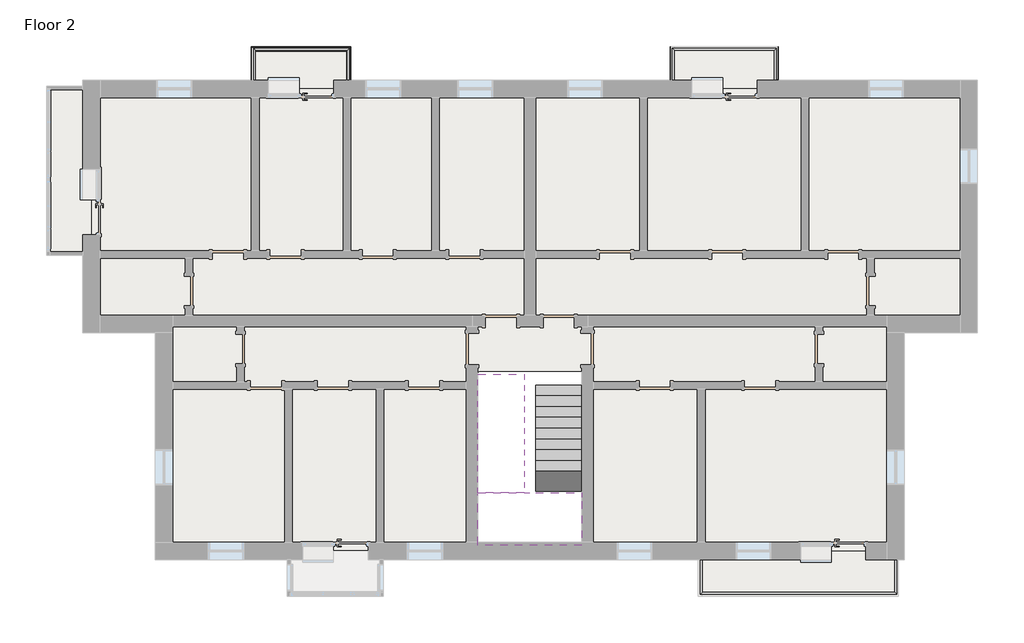
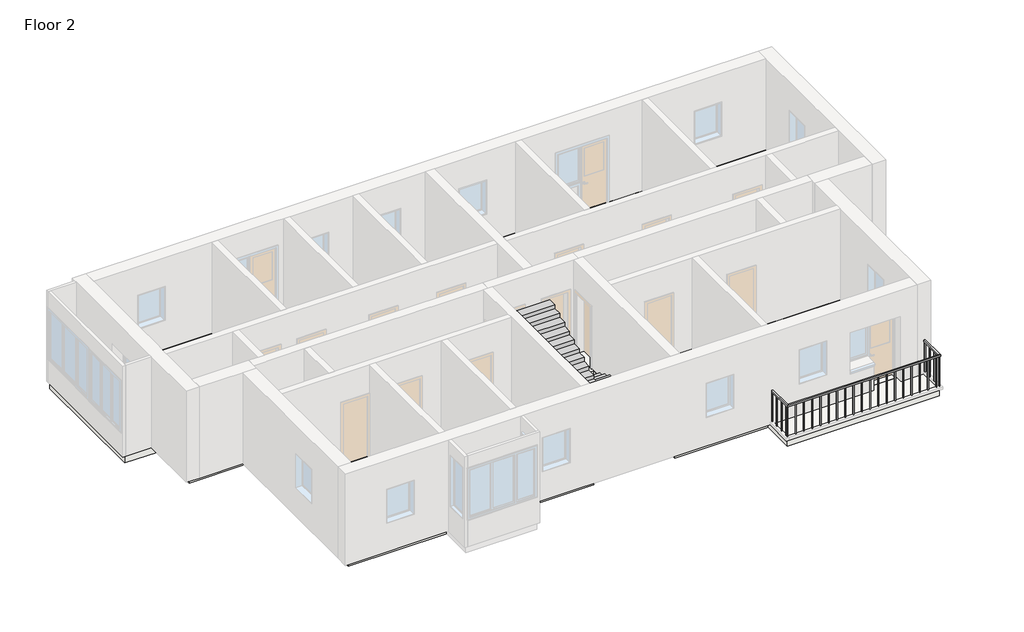
# One storey, part 3 of 3: 6 slabs, 3 railings, 2 stair flights.
"""IFC4 building model written with IfcOpenShell, lengths in millimetres."""

import ifcopenshell
import ifcopenshell.guid

model = None  # the IFC model being written
_history = None  # IfcOwnerHistory: only IFC2X3 demands one
_inside = {}  # id of a spatial element -> (the spatial element, [elements in it])
_under = {}  # id of a project, library or spatial element -> (it, [spatial elements below it])
_declared = {}  # id of a project -> (the project, [libraries it declares])
_typed = {}  # id of a type object -> (the type object, [elements of that type])
_made_of = {}  # id of a material, layer set ... -> (it, [elements and type objects made of it])


def new_model(schema):
    """Start an empty IFC model of exactly this schema.

    Asked for "IFC4X3", IfcOpenShell would pick the latest addendum, in which some entities
    have other attributes; the version numbers below select the first issue.
    IFC2X3 requires an IfcOwnerHistory on every rooted entity: one is made here for all.
    """
    global model, _history
    if schema == "IFC4X3":
        model = ifcopenshell.file(schema_version=(4, 3, 0, 0))
    else:
        model = ifcopenshell.file(schema=schema)
    _inside.clear()
    _under.clear()
    _declared.clear()
    _typed.clear()
    _made_of.clear()
    _history = None
    if model.schema == "IFC2X3":
        org = make("IfcOrganization", Name="unknown")
        user = make(
            "IfcPersonAndOrganization",
            ThePerson=make("IfcPerson", FamilyName="unknown"),
            TheOrganization=org,
        )
        app = make(
            "IfcApplication",
            ApplicationDeveloper=org,
            Version="unknown",
            ApplicationFullName="unknown",
            ApplicationIdentifier="unknown",
        )
        _history = make(
            "IfcOwnerHistory",
            OwningUser=user,
            OwningApplication=app,
            ChangeAction="ADDED",
            CreationDate=0,
        )
    return model


def make(cls, **values):
    """One entity of the class cls with the attributes given. An attribute that is None is left unset."""
    return model.create_entity(
        cls, **{name: value for name, value in values.items() if value is not None}
    )


def rooted(cls, **values):
    """An entity with a GlobalId (a new one), such as an element, a storey or a relation."""
    return make(cls, GlobalId=ifcopenshell.guid.new(), OwnerHistory=_history, **values)


def si_unit(unit_type, name, prefix=None):
    """IfcSIUnit, for example si_unit("LENGTHUNIT", "METRE", prefix="MILLI")."""
    return make("IfcSIUnit", UnitType=unit_type, Prefix=prefix, Name=name)


def assignment(units):
    """IfcUnitAssignment: the units of a project."""
    return None if units is None else make("IfcUnitAssignment", Units=units)


def point(xyz):
    """IfcCartesianPoint."""
    return None if xyz is None else make("IfcCartesianPoint", Coordinates=xyz)


def direction(xyz):
    """IfcDirection."""
    return None if xyz is None else make("IfcDirection", DirectionRatios=xyz)


def frame(location, z_axis=None, x_axis=None):
    """IfcAxis2Placement3D, a coordinate frame: its origin and axes. An axis left out is left unset."""
    return make(
        "IfcAxis2Placement3D",
        Location=point(location),
        Axis=direction(z_axis),
        RefDirection=direction(x_axis),
    )


def origin():
    """The frame at (0, 0, 0) with its axes left unset."""
    return frame((0.0, 0.0, 0.0))


def place(relative_to, where):
    """IfcLocalPlacement: puts the frame where relative to a parent placement (None: the world)."""
    return make(
        "IfcLocalPlacement", PlacementRelTo=relative_to, RelativePlacement=where
    )


def context(
    kind, dimensions, precision=None, world=None, true_north=None, identifier=None
):
    """IfcGeometricRepresentationContext, for example the 3D "Model" context."""
    return make(
        "IfcGeometricRepresentationContext",
        ContextIdentifier=identifier,
        ContextType=kind,
        CoordinateSpaceDimension=dimensions,
        Precision=precision,
        WorldCoordinateSystem=world,
        TrueNorth=true_north,
    )


def project(units=None, contexts=None):
    """IfcProject with its units and contexts."""
    return rooted(
        "IfcProject",
        Name="project",
        RepresentationContexts=contexts,
        UnitsInContext=assignment(units),
    )


def spatial(cls, under=None, at=None, **own):
    """A site, building, storey or space (cls), placed at a placement, below another one or the project."""
    s = rooted(cls, ObjectPlacement=at, **own)
    if under is not None:
        _under.setdefault(under.id(), (under, []))[1].append(s)
    return s


def polyline(points):
    """IfcPolyline through the points."""
    return make("IfcPolyline", Points=[point(p) for p in points])


def outline(outer, holes=None, kind="AREA"):
    """IfcArbitraryClosedProfileDef: a profile drawn as a closed curve; with holes, ...WithVoids."""
    if holes is None:
        return make("IfcArbitraryClosedProfileDef", ProfileType=kind, OuterCurve=outer)
    return make(
        "IfcArbitraryProfileDefWithVoids",
        ProfileType=kind,
        OuterCurve=outer,
        InnerCurves=holes,
    )


def extrude(swept, where, along, depth):
    """IfcExtrudedAreaSolid: the profile swept, set in the frame where, extruded along a direction by depth."""
    return make(
        "IfcExtrudedAreaSolid",
        SweptArea=swept,
        Position=where,
        ExtrudedDirection=direction(along),
        Depth=depth,
    )


def faces_of(points, faces, orient=None, outer=None):
    """IfcFace entities. A face is a list of loops; a loop is a list of indices into points, from 0.

    orient and outer hold one flag for each loop. By default every Orientation is true, the
    first loop of a face is its IfcFaceOuterBound and the others are IfcFaceBound.
    """
    made = []
    for i, loops in enumerate(faces):
        bounds = []
        for j, loop in enumerate(loops):
            is_outer = j == 0 if outer is None else outer[i][j]
            bounds.append(
                make(
                    "IfcFaceOuterBound" if is_outer else "IfcFaceBound",
                    Bound=make("IfcPolyLoop", Polygon=[points[k] for k in loop]),
                    Orientation=True if orient is None else orient[i][j],
                )
            )
        made.append(make("IfcFace", Bounds=bounds))
    return made


def faceted_brep(points, faces, orient=None, outer=None, voids=None):
    """IfcFacetedBrep: a solid bounded by flat faces; with voids (closed shells), ...WithVoids."""
    shared = [point(p) for p in points]
    hull = make("IfcClosedShell", CfsFaces=faces_of(shared, faces, orient, outer))
    if voids is None:
        return make("IfcFacetedBrep", Outer=hull)
    return make(
        "IfcFacetedBrepWithVoids",
        Outer=hull,
        Voids=[
            make(cls, CfsFaces=faces_of(shared, fs, o, b)) for cls, fs, o, b in voids
        ],
    )


def shape(context_of_items, identifier, shape_type, items):
    """IfcShapeRepresentation: the items that make up one representation, for example the "Body"."""
    return make(
        "IfcShapeRepresentation",
        ContextOfItems=context_of_items,
        RepresentationIdentifier=identifier,
        RepresentationType=shape_type,
        Items=items,
    )


def made_of(thing, what):
    """Note that an element or type object is made of a material, layer set ...; save() writes the relation."""
    if what is not None:
        _made_of.setdefault(what.id(), (what, []))[1].append(thing)
    return thing


def element(
    cls,
    number,
    at=None,
    inside=None,
    cuts=None,
    type_object=None,
    material=None,
    context=None,
    identifier="Body",
    shape_type=None,
    held_by="IfcProductDefinitionShape",
    body=None,
    shapes=None,
    **own,
):
    """One element of the class cls, such as IfcWall. Its Tag is "e" and its number.

    at: its placement. inside: the storey or other place that contains it. cuts: it is an
    opening in that element (IfcRelVoidsElement). A single representation is given by context,
    identifier, shape_type and body (its items); several are given by shapes. held_by: the class
    of the entity that holds the representations. save() writes the other relations.
    """
    e = rooted(cls, Tag="e%d" % number, ObjectPlacement=at, **own)
    if body is not None:
        shapes = [shape(context, identifier, shape_type, body)]
    if shapes is not None:
        e.Representation = make(held_by, Representations=shapes)
    if inside is not None:
        _inside.setdefault(inside.id(), (inside, []))[1].append(e)
    if cuts is not None:
        rooted(
            "IfcRelVoidsElement", RelatingBuildingElement=cuts, RelatedOpeningElement=e
        )
    if type_object is not None:
        _typed.setdefault(type_object.id(), (type_object, []))[1].append(e)
    return made_of(e, material)


def aggregate(whole, parts):
    """IfcRelAggregates: a whole, such as a stair, and the parts it consists of."""
    return rooted("IfcRelAggregates", RelatingObject=whole, RelatedObjects=parts)


def save(model, path):
    """Write the relations noted so far, then the file.

    IfcRelAggregates (storeys below a building ...), IfcRelContainedInSpatialStructure (elements
    in a storey), IfcRelDefinesByType, IfcRelAssociatesMaterial and IfcRelDeclares: one each for
    every whole, place, type object, material and project.
    """
    for whole, parts in _under.values():
        aggregate(whole, parts)
    for where, things in _inside.values():
        rooted(
            "IfcRelContainedInSpatialStructure",
            RelatedElements=things,
            RelatingStructure=where,
        )
    for kind, things in _typed.values():
        rooted("IfcRelDefinesByType", RelatedObjects=things, RelatingType=kind)
    for what, things in _made_of.values():
        rooted("IfcRelAssociatesMaterial", RelatedObjects=things, RelatingMaterial=what)
    for by, libraries in _declared.values():
        rooted("IfcRelDeclares", RelatingContext=by, RelatedDefinitions=libraries)
    model.write(path)


model = new_model("IFC4")

# Units and contexts
model_context = context("Model", 3, world=origin())
ifc_project = project(units=[si_unit("LENGTHUNIT", "METRE", prefix="MILLI")], contexts=[model_context])

# Site, building, storey
site = spatial("IfcSite", under=ifc_project)
building = spatial("IfcBuilding", under=site)
storey = spatial("IfcBuildingStorey", under=building, Name="Floor 2", Elevation=3200.0)

# Railings
placement = place(None, origin())
element("IfcRailing", 1, at=placement, inside=storey, context=model_context, shape_type="SolidModel", body=[
    faceted_brep([(-7305.7410247, -3724.7980841, 4400.0), (-7305.7410247, -3724.7980841, 4350.0), (-7255.7410247, -3724.7980841, 4350.0), (-7255.7410247, -3724.7980841, 4400.0), (-7305.7410247, -2824.8093829, 4400.0), (-7305.7410247, -2824.8093829, 4350.0), (-7255.7410247, -2874.8093829, 4350.0), (-7255.7410247, -2874.8093829, 4400.0), (-4825.7410247, -2824.8093829, 4400.0), (-4825.7410247, -2824.8093829, 4350.0), (-4875.7410247, -2874.8093829, 4350.0), (-4875.7410247, -2874.8093829, 4400.0), (-4825.7410247, -3724.7980841, 4400.0), (-4875.7410247, -3724.7980841, 4400.0), (-4875.7410247, -3724.7980841, 4350.0), (-4825.7410247, -3724.7980841, 4350.0)], [[[0, 1, 2, 3]], [[1, 0, 4, 5]], [[2, 1, 5, 6]], [[3, 2, 6, 7]], [[0, 3, 7, 4]], [[5, 4, 8, 9]], [[6, 5, 9, 10]], [[7, 6, 10, 11]], [[4, 7, 11, 8]], [[12, 13, 14, 15]], [[9, 8, 12, 15]], [[10, 9, 15, 14]], [[11, 10, 14, 13]], [[8, 11, 13, 12]]]),
    extrude(outline(polyline([(-4863.2410247, -3662.3093829), (-4838.2410247, -3662.3093829), (-4838.2410247, -3687.3093829), (-4863.2410247, -3687.3093829), (-4863.2410247, -3662.3093829)])), frame((0.0, 0.0, 3200.0), z_axis=(0.0, 0.0, 1.0), x_axis=(1.0, 0.0, 0.0)), (0.0, 0.0, 1.0), 1150.0),
    extrude(outline(polyline([(-4863.2410247, -3387.3093829), (-4838.2410247, -3387.3093829), (-4838.2410247, -3412.3093829), (-4863.2410247, -3412.3093829), (-4863.2410247, -3387.3093829)])), frame((0.0, 0.0, 3200.0), z_axis=(0.0, 0.0, 1.0), x_axis=(1.0, 0.0, 0.0)), (0.0, 0.0, 1.0), 1150.0),
    extrude(outline(polyline([(-4863.2410247, -3112.3093829), (-4838.2410247, -3112.3093829), (-4838.2410247, -3137.3093829), (-4863.2410247, -3137.3093829), (-4863.2410247, -3112.3093829)])), frame((0.0, 0.0, 3200.0), z_axis=(0.0, 0.0, 1.0), x_axis=(1.0, 0.0, 0.0)), (0.0, 0.0, 1.0), 1150.0),
    extrude(outline(polyline([(-5093.2410247, -2862.3093829), (-5093.2410247, -2837.3093829), (-5068.2410247, -2837.3093829), (-5068.2410247, -2862.3093829), (-5093.2410247, -2862.3093829)])), frame((0.0, 0.0, 3200.0), z_axis=(0.0, 0.0, 1.0), x_axis=(1.0, 0.0, 0.0)), (0.0, 0.0, 1.0), 1150.0),
    extrude(outline(polyline([(-5368.2410247, -2862.3093829), (-5368.2410247, -2837.3093829), (-5343.2410247, -2837.3093829), (-5343.2410247, -2862.3093829), (-5368.2410247, -2862.3093829)])), frame((0.0, 0.0, 3200.0), z_axis=(0.0, 0.0, 1.0), x_axis=(1.0, 0.0, 0.0)), (0.0, 0.0, 1.0), 1150.0),
    extrude(outline(polyline([(-5643.2410247, -2862.3093829), (-5643.2410247, -2837.3093829), (-5618.2410247, -2837.3093829), (-5618.2410247, -2862.3093829), (-5643.2410247, -2862.3093829)])), frame((0.0, 0.0, 3200.0), z_axis=(0.0, 0.0, 1.0), x_axis=(1.0, 0.0, 0.0)), (0.0, 0.0, 1.0), 1150.0),
    extrude(outline(polyline([(-5918.2410247, -2862.3093829), (-5918.2410247, -2837.3093829), (-5893.2410247, -2837.3093829), (-5893.2410247, -2862.3093829), (-5918.2410247, -2862.3093829)])), frame((0.0, 0.0, 3200.0), z_axis=(0.0, 0.0, 1.0), x_axis=(1.0, 0.0, 0.0)), (0.0, 0.0, 1.0), 1150.0),
    extrude(outline(polyline([(-6193.2410247, -2862.3093829), (-6193.2410247, -2837.3093829), (-6168.2410247, -2837.3093829), (-6168.2410247, -2862.3093829), (-6193.2410247, -2862.3093829)])), frame((0.0, 0.0, 3200.0), z_axis=(0.0, 0.0, 1.0), x_axis=(1.0, 0.0, 0.0)), (0.0, 0.0, 1.0), 1150.0),
    extrude(outline(polyline([(-6468.2410247, -2862.3093829), (-6468.2410247, -2837.3093829), (-6443.2410247, -2837.3093829), (-6443.2410247, -2862.3093829), (-6468.2410247, -2862.3093829)])), frame((0.0, 0.0, 3200.0), z_axis=(0.0, 0.0, 1.0), x_axis=(1.0, 0.0, 0.0)), (0.0, 0.0, 1.0), 1150.0),
    extrude(outline(polyline([(-6743.2410247, -2862.3093829), (-6743.2410247, -2837.3093829), (-6718.2410247, -2837.3093829), (-6718.2410247, -2862.3093829), (-6743.2410247, -2862.3093829)])), frame((0.0, 0.0, 3200.0), z_axis=(0.0, 0.0, 1.0), x_axis=(1.0, 0.0, 0.0)), (0.0, 0.0, 1.0), 1150.0),
    extrude(outline(polyline([(-7018.2410247, -2862.3093829), (-7018.2410247, -2837.3093829), (-6993.2410247, -2837.3093829), (-6993.2410247, -2862.3093829), (-7018.2410247, -2862.3093829)])), frame((0.0, 0.0, 3200.0), z_axis=(0.0, 0.0, 1.0), x_axis=(1.0, 0.0, 0.0)), (0.0, 0.0, 1.0), 1150.0),
    extrude(outline(polyline([(-7268.2410247, -2912.2980841), (-7293.2410247, -2912.2980841), (-7293.2410247, -2887.2980841), (-7268.2410247, -2887.2980841), (-7268.2410247, -2912.2980841)])), frame((0.0, 0.0, 3200.0), z_axis=(0.0, 0.0, 1.0), x_axis=(1.0, 0.0, 0.0)), (0.0, 0.0, 1.0), 1150.0),
    extrude(outline(polyline([(-7268.2410247, -3187.2980841), (-7293.2410247, -3187.2980841), (-7293.2410247, -3162.2980841), (-7268.2410247, -3162.2980841), (-7268.2410247, -3187.2980841)])), frame((0.0, 0.0, 3200.0), z_axis=(0.0, 0.0, 1.0), x_axis=(1.0, 0.0, 0.0)), (0.0, 0.0, 1.0), 1150.0),
    extrude(outline(polyline([(-7268.2410247, -3462.2980841), (-7293.2410247, -3462.2980841), (-7293.2410247, -3437.2980841), (-7268.2410247, -3437.2980841), (-7268.2410247, -3462.2980841)])), frame((0.0, 0.0, 3200.0), z_axis=(0.0, 0.0, 1.0), x_axis=(1.0, 0.0, 0.0)), (0.0, 0.0, 1.0), 1150.0),
    extrude(outline(polyline([(-4863.2410247, -2862.3093829), (-4863.2410247, -2837.3093829), (-4838.2410247, -2837.3093829), (-4838.2410247, -2862.3093829), (-4863.2410247, -2862.3093829)])), frame((0.0, 0.0, 3200.0), z_axis=(0.0, 0.0, 1.0), x_axis=(1.0, 0.0, 0.0)), (0.0, 0.0, 1.0), 1150.0),
    extrude(outline(polyline([(-7268.2410247, -2862.3093829), (-7293.2410247, -2862.3093829), (-7293.2410247, -2837.3093829), (-7268.2410247, -2837.3093829), (-7268.2410247, -2862.3093829)])), frame((0.0, 0.0, 3200.0), z_axis=(0.0, 0.0, 1.0), x_axis=(1.0, 0.0, 0.0)), (0.0, 0.0, 1.0), 1150.0),
    extrude(outline(polyline([(-4863.2410247, -3699.7980841), (-4838.2410247, -3699.7980841), (-4838.2410247, -3724.7980841), (-4863.2410247, -3724.7980841), (-4863.2410247, -3699.7980841)])), frame((0.0, 0.0, 3200.0), z_axis=(0.0, 0.0, 1.0), x_axis=(1.0, 0.0, 0.0)), (0.0, 0.0, 1.0), 1150.0),
    extrude(outline(polyline([(-7268.2410247, -3724.7980841), (-7293.2410247, -3724.7980841), (-7293.2410247, -3699.7980841), (-7268.2410247, -3699.7980841), (-7268.2410247, -3724.7980841)])), frame((0.0, 0.0, 3200.0), z_axis=(0.0, 0.0, 1.0), x_axis=(1.0, 0.0, 0.0)), (0.0, 0.0, 1.0), 1150.0),
])
element("IfcRailing", 2, at=placement, inside=storey, context=model_context, shape_type="SolidModel", body=[
    faceted_brep([(3569.2589753, -3724.7980841, 4400.0), (3569.2589753, -3724.7980841, 4350.0), (3619.2589753, -3724.7980841, 4350.0), (3619.2589753, -3724.7980841, 4400.0), (3569.2589753, -2824.8093829, 4400.0), (3569.2589753, -2824.8093829, 4350.0), (3619.2589753, -2874.8093829, 4350.0), (3619.2589753, -2874.8093829, 4400.0), (6269.2589753, -2824.8093829, 4400.0), (6269.2589753, -2824.8093829, 4350.0), (6219.2589753, -2874.8093829, 4350.0), (6219.2589753, -2874.8093829, 4400.0), (6269.2589753, -3724.7980841, 4400.0), (6219.2589753, -3724.7980841, 4400.0), (6219.2589753, -3724.7980841, 4350.0), (6269.2589753, -3724.7980841, 4350.0)], [[[0, 1, 2, 3]], [[1, 0, 4, 5]], [[2, 1, 5, 6]], [[3, 2, 6, 7]], [[0, 3, 7, 4]], [[5, 4, 8, 9]], [[6, 5, 9, 10]], [[7, 6, 10, 11]], [[4, 7, 11, 8]], [[12, 13, 14, 15]], [[9, 8, 12, 15]], [[10, 9, 15, 14]], [[11, 10, 14, 13]], [[8, 11, 13, 12]]]),
    extrude(outline(polyline([(6231.7589753, -3662.3093829), (6256.7589753, -3662.3093829), (6256.7589753, -3687.3093829), (6231.7589753, -3687.3093829), (6231.7589753, -3662.3093829)])), frame((0.0, 0.0, 3200.0), z_axis=(0.0, 0.0, 1.0), x_axis=(1.0, 0.0, 0.0)), (0.0, 0.0, 1.0), 1150.0),
    extrude(outline(polyline([(6231.7589753, -3387.3093829), (6256.7589753, -3387.3093829), (6256.7589753, -3412.3093829), (6231.7589753, -3412.3093829), (6231.7589753, -3387.3093829)])), frame((0.0, 0.0, 3200.0), z_axis=(0.0, 0.0, 1.0), x_axis=(1.0, 0.0, 0.0)), (0.0, 0.0, 1.0), 1150.0),
    extrude(outline(polyline([(6231.7589753, -3112.3093829), (6256.7589753, -3112.3093829), (6256.7589753, -3137.3093829), (6231.7589753, -3137.3093829), (6231.7589753, -3112.3093829)])), frame((0.0, 0.0, 3200.0), z_axis=(0.0, 0.0, 1.0), x_axis=(1.0, 0.0, 0.0)), (0.0, 0.0, 1.0), 1150.0),
    extrude(outline(polyline([(6056.7589753, -2862.3093829), (6056.7589753, -2837.3093829), (6081.7589753, -2837.3093829), (6081.7589753, -2862.3093829), (6056.7589753, -2862.3093829)])), frame((0.0, 0.0, 3200.0), z_axis=(0.0, 0.0, 1.0), x_axis=(1.0, 0.0, 0.0)), (0.0, 0.0, 1.0), 1150.0),
    extrude(outline(polyline([(5781.7589753, -2862.3093829), (5781.7589753, -2837.3093829), (5806.7589753, -2837.3093829), (5806.7589753, -2862.3093829), (5781.7589753, -2862.3093829)])), frame((0.0, 0.0, 3200.0), z_axis=(0.0, 0.0, 1.0), x_axis=(1.0, 0.0, 0.0)), (0.0, 0.0, 1.0), 1150.0),
    extrude(outline(polyline([(5506.7589753, -2862.3093829), (5506.7589753, -2837.3093829), (5531.7589753, -2837.3093829), (5531.7589753, -2862.3093829), (5506.7589753, -2862.3093829)])), frame((0.0, 0.0, 3200.0), z_axis=(0.0, 0.0, 1.0), x_axis=(1.0, 0.0, 0.0)), (0.0, 0.0, 1.0), 1150.0),
    extrude(outline(polyline([(5231.7589753, -2862.3093829), (5231.7589753, -2837.3093829), (5256.7589753, -2837.3093829), (5256.7589753, -2862.3093829), (5231.7589753, -2862.3093829)])), frame((0.0, 0.0, 3200.0), z_axis=(0.0, 0.0, 1.0), x_axis=(1.0, 0.0, 0.0)), (0.0, 0.0, 1.0), 1150.0),
    extrude(outline(polyline([(4956.7589753, -2862.3093829), (4956.7589753, -2837.3093829), (4981.7589753, -2837.3093829), (4981.7589753, -2862.3093829), (4956.7589753, -2862.3093829)])), frame((0.0, 0.0, 3200.0), z_axis=(0.0, 0.0, 1.0), x_axis=(1.0, 0.0, 0.0)), (0.0, 0.0, 1.0), 1150.0),
    extrude(outline(polyline([(4681.7589753, -2862.3093829), (4681.7589753, -2837.3093829), (4706.7589753, -2837.3093829), (4706.7589753, -2862.3093829), (4681.7589753, -2862.3093829)])), frame((0.0, 0.0, 3200.0), z_axis=(0.0, 0.0, 1.0), x_axis=(1.0, 0.0, 0.0)), (0.0, 0.0, 1.0), 1150.0),
    extrude(outline(polyline([(4406.7589753, -2862.3093829), (4406.7589753, -2837.3093829), (4431.7589753, -2837.3093829), (4431.7589753, -2862.3093829), (4406.7589753, -2862.3093829)])), frame((0.0, 0.0, 3200.0), z_axis=(0.0, 0.0, 1.0), x_axis=(1.0, 0.0, 0.0)), (0.0, 0.0, 1.0), 1150.0),
    extrude(outline(polyline([(4131.7589753, -2862.3093829), (4131.7589753, -2837.3093829), (4156.7589753, -2837.3093829), (4156.7589753, -2862.3093829), (4131.7589753, -2862.3093829)])), frame((0.0, 0.0, 3200.0), z_axis=(0.0, 0.0, 1.0), x_axis=(1.0, 0.0, 0.0)), (0.0, 0.0, 1.0), 1150.0),
    extrude(outline(polyline([(3856.7589753, -2862.3093829), (3856.7589753, -2837.3093829), (3881.7589753, -2837.3093829), (3881.7589753, -2862.3093829), (3856.7589753, -2862.3093829)])), frame((0.0, 0.0, 3200.0), z_axis=(0.0, 0.0, 1.0), x_axis=(1.0, 0.0, 0.0)), (0.0, 0.0, 1.0), 1150.0),
    extrude(outline(polyline([(3606.7589753, -2912.2980841), (3581.7589753, -2912.2980841), (3581.7589753, -2887.2980841), (3606.7589753, -2887.2980841), (3606.7589753, -2912.2980841)])), frame((0.0, 0.0, 3200.0), z_axis=(0.0, 0.0, 1.0), x_axis=(1.0, 0.0, 0.0)), (0.0, 0.0, 1.0), 1150.0),
    extrude(outline(polyline([(3606.7589753, -3187.2980841), (3581.7589753, -3187.2980841), (3581.7589753, -3162.2980841), (3606.7589753, -3162.2980841), (3606.7589753, -3187.2980841)])), frame((0.0, 0.0, 3200.0), z_axis=(0.0, 0.0, 1.0), x_axis=(1.0, 0.0, 0.0)), (0.0, 0.0, 1.0), 1150.0),
    extrude(outline(polyline([(3606.7589753, -3462.2980841), (3581.7589753, -3462.2980841), (3581.7589753, -3437.2980841), (3606.7589753, -3437.2980841), (3606.7589753, -3462.2980841)])), frame((0.0, 0.0, 3200.0), z_axis=(0.0, 0.0, 1.0), x_axis=(1.0, 0.0, 0.0)), (0.0, 0.0, 1.0), 1150.0),
    extrude(outline(polyline([(6231.7589753, -2862.3093829), (6231.7589753, -2837.3093829), (6256.7589753, -2837.3093829), (6256.7589753, -2862.3093829), (6231.7589753, -2862.3093829)])), frame((0.0, 0.0, 3200.0), z_axis=(0.0, 0.0, 1.0), x_axis=(1.0, 0.0, 0.0)), (0.0, 0.0, 1.0), 1150.0),
    extrude(outline(polyline([(3606.7589753, -2862.3093829), (3581.7589753, -2862.3093829), (3581.7589753, -2837.3093829), (3606.7589753, -2837.3093829), (3606.7589753, -2862.3093829)])), frame((0.0, 0.0, 3200.0), z_axis=(0.0, 0.0, 1.0), x_axis=(1.0, 0.0, 0.0)), (0.0, 0.0, 1.0), 1150.0),
    extrude(outline(polyline([(6231.7589753, -3699.7980841), (6256.7589753, -3699.7980841), (6256.7589753, -3724.7980841), (6231.7589753, -3724.7980841), (6231.7589753, -3699.7980841)])), frame((0.0, 0.0, 3200.0), z_axis=(0.0, 0.0, 1.0), x_axis=(1.0, 0.0, 0.0)), (0.0, 0.0, 1.0), 1150.0),
    extrude(outline(polyline([(3606.7589753, -3724.7980841), (3581.7589753, -3724.7980841), (3581.7589753, -3699.7980841), (3606.7589753, -3699.7980841), (3606.7589753, -3724.7980841)])), frame((0.0, 0.0, 3200.0), z_axis=(0.0, 0.0, 1.0), x_axis=(1.0, 0.0, 0.0)), (0.0, 0.0, 1.0), 1150.0),
])
element("IfcRailing", 3, at=placement, inside=storey, context=model_context, shape_type="SolidModel", body=[
    faceted_brep([(4344.2589753, -16099.7980841, 4400.0), (4344.2589753, -16099.7980841, 4350.0), (4294.2589753, -16099.7980841, 4350.0), (4294.2589753, -16099.7980841, 4400.0), (4344.2589753, -16949.7980841, 4400.0), (4344.2589753, -16949.7980841, 4350.0), (4294.2589753, -16999.7980841, 4350.0), (4294.2589753, -16999.7980841, 4400.0), (9344.2589753, -16949.7980841, 4400.0), (9344.2589753, -16949.7980841, 4350.0), (9394.2589753, -16999.7980841, 4350.0), (9394.2589753, -16999.7980841, 4400.0), (9344.2589753, -16099.7980841, 4400.0), (9394.2589753, -16099.7980841, 4400.0), (9394.2589753, -16099.7980841, 4350.0), (9344.2589753, -16099.7980841, 4350.0)], [[[0, 1, 2, 3]], [[1, 0, 4, 5]], [[2, 1, 5, 6]], [[3, 2, 6, 7]], [[0, 3, 7, 4]], [[5, 4, 8, 9]], [[6, 5, 9, 10]], [[7, 6, 10, 11]], [[4, 7, 11, 8]], [[12, 13, 14, 15]], [[9, 8, 12, 15]], [[10, 9, 15, 14]], [[11, 10, 14, 13]], [[8, 11, 13, 12]]]),
    extrude(outline(polyline([(9381.7589753, -16162.2980841), (9356.7589753, -16162.2980841), (9356.7589753, -16137.2980841), (9381.7589753, -16137.2980841), (9381.7589753, -16162.2980841)])), frame((0.0, 0.0, 3200.0), z_axis=(0.0, 0.0, 1.0), x_axis=(1.0, 0.0, 0.0)), (0.0, 0.0, 1.0), 1150.0),
    extrude(outline(polyline([(9381.7589753, -16437.2980841), (9356.7589753, -16437.2980841), (9356.7589753, -16412.2980841), (9381.7589753, -16412.2980841), (9381.7589753, -16437.2980841)])), frame((0.0, 0.0, 3200.0), z_axis=(0.0, 0.0, 1.0), x_axis=(1.0, 0.0, 0.0)), (0.0, 0.0, 1.0), 1150.0),
    extrude(outline(polyline([(9381.7589753, -16712.2980841), (9356.7589753, -16712.2980841), (9356.7589753, -16687.2980841), (9381.7589753, -16687.2980841), (9381.7589753, -16712.2980841)])), frame((0.0, 0.0, 3200.0), z_axis=(0.0, 0.0, 1.0), x_axis=(1.0, 0.0, 0.0)), (0.0, 0.0, 1.0), 1150.0),
    extrude(outline(polyline([(9256.7589753, -16987.2980841), (9256.7589753, -16962.2980841), (9281.7589753, -16962.2980841), (9281.7589753, -16987.2980841), (9256.7589753, -16987.2980841)])), frame((0.0, 0.0, 3200.0), z_axis=(0.0, 0.0, 1.0), x_axis=(1.0, 0.0, 0.0)), (0.0, 0.0, 1.0), 1150.0),
    extrude(outline(polyline([(8981.7589753, -16987.2980841), (8981.7589753, -16962.2980841), (9006.7589753, -16962.2980841), (9006.7589753, -16987.2980841), (8981.7589753, -16987.2980841)])), frame((0.0, 0.0, 3200.0), z_axis=(0.0, 0.0, 1.0), x_axis=(1.0, 0.0, 0.0)), (0.0, 0.0, 1.0), 1150.0),
    extrude(outline(polyline([(8706.7589753, -16987.2980841), (8706.7589753, -16962.2980841), (8731.7589753, -16962.2980841), (8731.7589753, -16987.2980841), (8706.7589753, -16987.2980841)])), frame((0.0, 0.0, 3200.0), z_axis=(0.0, 0.0, 1.0), x_axis=(1.0, 0.0, 0.0)), (0.0, 0.0, 1.0), 1150.0),
    extrude(outline(polyline([(8431.7589753, -16987.2980841), (8431.7589753, -16962.2980841), (8456.7589753, -16962.2980841), (8456.7589753, -16987.2980841), (8431.7589753, -16987.2980841)])), frame((0.0, 0.0, 3200.0), z_axis=(0.0, 0.0, 1.0), x_axis=(1.0, 0.0, 0.0)), (0.0, 0.0, 1.0), 1150.0),
    extrude(outline(polyline([(8156.7589753, -16987.2980841), (8156.7589753, -16962.2980841), (8181.7589753, -16962.2980841), (8181.7589753, -16987.2980841), (8156.7589753, -16987.2980841)])), frame((0.0, 0.0, 3200.0), z_axis=(0.0, 0.0, 1.0), x_axis=(1.0, 0.0, 0.0)), (0.0, 0.0, 1.0), 1150.0),
    extrude(outline(polyline([(7881.7589753, -16987.2980841), (7881.7589753, -16962.2980841), (7906.7589753, -16962.2980841), (7906.7589753, -16987.2980841), (7881.7589753, -16987.2980841)])), frame((0.0, 0.0, 3200.0), z_axis=(0.0, 0.0, 1.0), x_axis=(1.0, 0.0, 0.0)), (0.0, 0.0, 1.0), 1150.0),
    extrude(outline(polyline([(7606.7589753, -16987.2980841), (7606.7589753, -16962.2980841), (7631.7589753, -16962.2980841), (7631.7589753, -16987.2980841), (7606.7589753, -16987.2980841)])), frame((0.0, 0.0, 3200.0), z_axis=(0.0, 0.0, 1.0), x_axis=(1.0, 0.0, 0.0)), (0.0, 0.0, 1.0), 1150.0),
    extrude(outline(polyline([(7331.7589753, -16987.2980841), (7331.7589753, -16962.2980841), (7356.7589753, -16962.2980841), (7356.7589753, -16987.2980841), (7331.7589753, -16987.2980841)])), frame((0.0, 0.0, 3200.0), z_axis=(0.0, 0.0, 1.0), x_axis=(1.0, 0.0, 0.0)), (0.0, 0.0, 1.0), 1150.0),
    extrude(outline(polyline([(7056.7589753, -16987.2980841), (7056.7589753, -16962.2980841), (7081.7589753, -16962.2980841), (7081.7589753, -16987.2980841), (7056.7589753, -16987.2980841)])), frame((0.0, 0.0, 3200.0), z_axis=(0.0, 0.0, 1.0), x_axis=(1.0, 0.0, 0.0)), (0.0, 0.0, 1.0), 1150.0),
    extrude(outline(polyline([(6781.7589753, -16987.2980841), (6781.7589753, -16962.2980841), (6806.7589753, -16962.2980841), (6806.7589753, -16987.2980841), (6781.7589753, -16987.2980841)])), frame((0.0, 0.0, 3200.0), z_axis=(0.0, 0.0, 1.0), x_axis=(1.0, 0.0, 0.0)), (0.0, 0.0, 1.0), 1150.0),
    extrude(outline(polyline([(6506.7589753, -16987.2980841), (6506.7589753, -16962.2980841), (6531.7589753, -16962.2980841), (6531.7589753, -16987.2980841), (6506.7589753, -16987.2980841)])), frame((0.0, 0.0, 3200.0), z_axis=(0.0, 0.0, 1.0), x_axis=(1.0, 0.0, 0.0)), (0.0, 0.0, 1.0), 1150.0),
    extrude(outline(polyline([(6231.7589753, -16987.2980841), (6231.7589753, -16962.2980841), (6256.7589753, -16962.2980841), (6256.7589753, -16987.2980841), (6231.7589753, -16987.2980841)])), frame((0.0, 0.0, 3200.0), z_axis=(0.0, 0.0, 1.0), x_axis=(1.0, 0.0, 0.0)), (0.0, 0.0, 1.0), 1150.0),
    extrude(outline(polyline([(5956.7589753, -16987.2980841), (5956.7589753, -16962.2980841), (5981.7589753, -16962.2980841), (5981.7589753, -16987.2980841), (5956.7589753, -16987.2980841)])), frame((0.0, 0.0, 3200.0), z_axis=(0.0, 0.0, 1.0), x_axis=(1.0, 0.0, 0.0)), (0.0, 0.0, 1.0), 1150.0),
    extrude(outline(polyline([(5681.7589753, -16987.2980841), (5681.7589753, -16962.2980841), (5706.7589753, -16962.2980841), (5706.7589753, -16987.2980841), (5681.7589753, -16987.2980841)])), frame((0.0, 0.0, 3200.0), z_axis=(0.0, 0.0, 1.0), x_axis=(1.0, 0.0, 0.0)), (0.0, 0.0, 1.0), 1150.0),
    extrude(outline(polyline([(5406.7589753, -16987.2980841), (5406.7589753, -16962.2980841), (5431.7589753, -16962.2980841), (5431.7589753, -16987.2980841), (5406.7589753, -16987.2980841)])), frame((0.0, 0.0, 3200.0), z_axis=(0.0, 0.0, 1.0), x_axis=(1.0, 0.0, 0.0)), (0.0, 0.0, 1.0), 1150.0),
    extrude(outline(polyline([(5131.7589753, -16987.2980841), (5131.7589753, -16962.2980841), (5156.7589753, -16962.2980841), (5156.7589753, -16987.2980841), (5131.7589753, -16987.2980841)])), frame((0.0, 0.0, 3200.0), z_axis=(0.0, 0.0, 1.0), x_axis=(1.0, 0.0, 0.0)), (0.0, 0.0, 1.0), 1150.0),
    extrude(outline(polyline([(4856.7589753, -16987.2980841), (4856.7589753, -16962.2980841), (4881.7589753, -16962.2980841), (4881.7589753, -16987.2980841), (4856.7589753, -16987.2980841)])), frame((0.0, 0.0, 3200.0), z_axis=(0.0, 0.0, 1.0), x_axis=(1.0, 0.0, 0.0)), (0.0, 0.0, 1.0), 1150.0),
    extrude(outline(polyline([(4581.7589753, -16987.2980841), (4581.7589753, -16962.2980841), (4606.7589753, -16962.2980841), (4606.7589753, -16987.2980841), (4581.7589753, -16987.2980841)])), frame((0.0, 0.0, 3200.0), z_axis=(0.0, 0.0, 1.0), x_axis=(1.0, 0.0, 0.0)), (0.0, 0.0, 1.0), 1150.0),
    extrude(outline(polyline([(4306.7589753, -16912.2980841), (4331.7589753, -16912.2980841), (4331.7589753, -16937.2980841), (4306.7589753, -16937.2980841), (4306.7589753, -16912.2980841)])), frame((0.0, 0.0, 3200.0), z_axis=(0.0, 0.0, 1.0), x_axis=(1.0, 0.0, 0.0)), (0.0, 0.0, 1.0), 1150.0),
    extrude(outline(polyline([(4306.7589753, -16637.2980841), (4331.7589753, -16637.2980841), (4331.7589753, -16662.2980841), (4306.7589753, -16662.2980841), (4306.7589753, -16637.2980841)])), frame((0.0, 0.0, 3200.0), z_axis=(0.0, 0.0, 1.0), x_axis=(1.0, 0.0, 0.0)), (0.0, 0.0, 1.0), 1150.0),
    extrude(outline(polyline([(4306.7589753, -16362.2980841), (4331.7589753, -16362.2980841), (4331.7589753, -16387.2980841), (4306.7589753, -16387.2980841), (4306.7589753, -16362.2980841)])), frame((0.0, 0.0, 3200.0), z_axis=(0.0, 0.0, 1.0), x_axis=(1.0, 0.0, 0.0)), (0.0, 0.0, 1.0), 1150.0),
    extrude(outline(polyline([(9356.7589753, -16987.2980841), (9356.7589753, -16962.2980841), (9381.7589753, -16962.2980841), (9381.7589753, -16987.2980841), (9356.7589753, -16987.2980841)])), frame((0.0, 0.0, 3200.0), z_axis=(0.0, 0.0, 1.0), x_axis=(1.0, 0.0, 0.0)), (0.0, 0.0, 1.0), 1150.0),
    extrude(outline(polyline([(4306.7589753, -16962.2980841), (4331.7589753, -16962.2980841), (4331.7589753, -16987.2980841), (4306.7589753, -16987.2980841), (4306.7589753, -16962.2980841)])), frame((0.0, 0.0, 3200.0), z_axis=(0.0, 0.0, 1.0), x_axis=(1.0, 0.0, 0.0)), (0.0, 0.0, 1.0), 1150.0),
    extrude(outline(polyline([(9381.7589753, -16124.7980841), (9356.7589753, -16124.7980841), (9356.7589753, -16099.7980841), (9381.7589753, -16099.7980841), (9381.7589753, -16124.7980841)])), frame((0.0, 0.0, 3200.0), z_axis=(0.0, 0.0, 1.0), x_axis=(1.0, 0.0, 0.0)), (0.0, 0.0, 1.0), 1150.0),
    extrude(outline(polyline([(4306.7589753, -16099.7980841), (4331.7589753, -16099.7980841), (4331.7589753, -16124.7980841), (4306.7589753, -16124.7980841), (4306.7589753, -16099.7980841)])), frame((0.0, 0.0, 3200.0), z_axis=(0.0, 0.0, 1.0), x_axis=(1.0, 0.0, 0.0)), (0.0, 0.0, 1.0), 1150.0),
])

# Slabs
element("IfcSlab", 4, at=placement, inside=storey, context=model_context, shape_type="SweptSolid", body=[
    extrude(outline(polyline([(3519.2589753, -2774.8093829), (6319.2589753, -2774.8093829), (6319.2589753, -3874.7980841), (3519.2589753, -3874.7980841), (3519.2589753, -2774.8093829)])), frame((0.0, 0.0, 2960.0), z_axis=(0.0, 0.0, 1.0), x_axis=(1.0, 0.0, 0.0)), (0.0, 0.0, 1.0), 240.0),
])
element("IfcSlab", 5, at=placement, inside=storey, context=model_context, shape_type="Brep", body=[
    faceted_brep([(1219.2589753, -14367.416921, 4730.4347826), (19.2589753, -14367.416921, 4730.4347826), (-280.7410247, -14367.416921, 4730.4347826), (-1480.7410247, -14367.416921, 4730.4347826), (-1480.7410247, -14432.8286304, 4730.4347826), (-1480.7410247, -15724.7980841, 4730.4347826), (1219.2589753, -15724.7980841, 4730.4347826), (1219.2589753, -14582.0052115, 4730.4347826), (1219.2589753, -14367.416921, 4591.3043478), (1219.2589753, -14367.416921, 4423.8070606), (19.2589753, -14367.416921, 4423.8070606), (19.2589753, -14367.416921, 4530.4347826), (-280.7410247, -14367.416921, 4530.4347826), (-280.7410247, -14367.416921, 4562.9374954), (-1480.7410247, -14367.416921, 4562.9374954), (-1480.7410247, -14432.8286304, 4530.4347826), (-1480.7410247, -15724.7980841, 4530.4347826), (1219.2589753, -15724.7980841, 4530.4347826), (1219.2589753, -14582.0052115, 4530.4347826), (-280.7410247, -14432.8286304, 4530.4347826), (19.2589753, -14582.0052115, 4530.4347826)], [[[0, 1, 2, 3, 4, 5, 6, 7]], [[1, 0, 8, 9, 10, 11]], [[2, 1, 11, 12, 13]], [[3, 2, 13, 14]], [[3, 14, 15, 16, 5, 4]], [[6, 5, 16, 17]], [[9, 8, 0, 7, 6, 17, 18]], [[19, 15, 14, 13]], [[19, 12, 11, 20, 18, 17, 16, 15]], [[12, 19, 13]], [[18, 20, 10, 9]], [[20, 11, 10]]]),
])
element("IfcSlab", 6, at=placement, inside=storey, context=model_context, shape_type="SweptSolid", body=[
    extrude(outline(polyline([(-4780.7410247, -3874.7980841), (6319.2589753, -3874.7980841), (11269.2589753, -3874.7980841), (11269.2589753, -9904.7980841), (9369.2589753, -9904.7980841), (9369.2589753, -15874.7980841), (1219.2589753, -15874.7980841), (1219.2589753, -11207.416921), (-1443.3598615, -11207.416921), (-1480.7410247, -11244.7980841), (-1480.7410247, -15644.7980841), (-1480.3410247, -15644.7980841), (-1480.3410247, -15874.7980841), (-6360.7410247, -15874.7980841), (-9630.7410247, -15874.7980841), (-9630.7410247, -9979.7980841), (-11510.7410247, -9979.7980841), (-11510.7410247, -3874.7980841), (-4780.7410247, -3874.7980841)])), frame((0.0, 0.0, 2960.0), z_axis=(0.0, 0.0, 1.0), x_axis=(1.0, 0.0, 0.0)), (0.0, 0.0, 1.0), 240.0),
])
element("IfcSlab", 7, at=placement, inside=storey, context=model_context, shape_type="SweptSolid", body=[
    extrude(outline(polyline([(4319.2589753, -15874.8093829), (9369.2589753, -15874.8093829), (9369.2589753, -16974.7980841), (4319.2589753, -16974.7980841), (4319.2589753, -15874.8093829)])), frame((0.0, 0.0, 2960.0), z_axis=(0.0, 0.0, 1.0), x_axis=(1.0, 0.0, 0.0)), (0.0, 0.0, 1.0), 240.0),
])
element("IfcSlab", 8, at=placement, inside=storey, context=model_context, shape_type="SweptSolid", body=[
    extrude(outline(polyline([(-7360.7410247, -2774.8093829), (-4780.7410247, -2774.8093829), (-4780.7410247, -3874.7980841), (-7360.7410247, -3874.7980841), (-7360.7410247, -2774.8093829)])), frame((0.0, 0.0, 2960.0), z_axis=(0.0, 0.0, 1.0), x_axis=(1.0, 0.0, 0.0)), (0.0, 0.0, 1.0), 240.0),
])
element("IfcSlab", 9, at=placement, inside=storey, context=model_context, shape_type="SweptSolid", body=[
    extrude(outline(polyline([(-12610.7410247, -3874.7980841), (-11510.7410247, -3874.7980841), (-11510.7410247, -8174.8093829), (-12610.7410247, -8174.8093829), (-12610.7410247, -3874.7980841)])), frame((0.0, 0.0, 2960.0), z_axis=(0.0, 0.0, 1.0), x_axis=(1.0, 0.0, 0.0)), (0.0, 0.0, 1.0), 240.0),
])

# Stair flights
element("IfcStairFlight", 10, at=placement, inside=storey, context=model_context, shape_type="Brep", body=[
    faceted_brep([(1219.2589753, -11847.416921, 3339.1304348), (1219.2589753, -11567.416921, 3339.1304348), (19.2589753, -11567.416921, 3339.1304348), (19.2589753, -11847.416921, 3339.1304348), (1219.2589753, -11847.416921, 3200.0), (1219.2589753, -11567.416921, 3200.0), (19.2589753, -11567.416921, 3200.0), (19.2589753, -11847.416921, 3200.0), (1219.2589753, -12127.416921, 3478.2608696), (1219.2589753, -11847.416921, 3478.2608696), (19.2589753, -11847.416921, 3478.2608696), (19.2589753, -12127.416921, 3478.2608696), (1219.2589753, -12127.416921, 3310.7635823), (1219.2589753, -11904.5052115, 3200.0), (19.2589753, -11904.5052115, 3200.0), (19.2589753, -12127.416921, 3310.7635823), (1219.2589753, -12407.416921, 3617.3913043), (1219.2589753, -12127.416921, 3617.3913043), (19.2589753, -12127.416921, 3617.3913043), (19.2589753, -12407.416921, 3617.3913043), (1219.2589753, -12407.416921, 3449.8940171), (19.2589753, -12407.416921, 3449.8940171), (1219.2589753, -12687.416921, 3756.5217391), (1219.2589753, -12407.416921, 3756.5217391), (19.2589753, -12407.416921, 3756.5217391), (19.2589753, -12687.416921, 3756.5217391), (1219.2589753, -12687.416921, 3589.0244519), (19.2589753, -12687.416921, 3589.0244519), (1219.2589753, -12967.416921, 3895.6521739), (1219.2589753, -12687.416921, 3895.6521739), (19.2589753, -12687.416921, 3895.6521739), (19.2589753, -12967.416921, 3895.6521739), (1219.2589753, -12967.416921, 3728.1548867), (19.2589753, -12967.416921, 3728.1548867), (1219.2589753, -13247.416921, 4034.7826087), (1219.2589753, -12967.416921, 4034.7826087), (19.2589753, -12967.416921, 4034.7826087), (19.2589753, -13247.416921, 4034.7826087), (1219.2589753, -13247.416921, 3867.2853215), (19.2589753, -13247.416921, 3867.2853215), (1219.2589753, -13527.416921, 4173.9130435), (1219.2589753, -13247.416921, 4173.9130435), (19.2589753, -13247.416921, 4173.9130435), (19.2589753, -13527.416921, 4173.9130435), (1219.2589753, -13527.416921, 4006.4157562), (19.2589753, -13527.416921, 4006.4157562), (1219.2589753, -13807.416921, 4313.0434783), (1219.2589753, -13527.416921, 4313.0434783), (19.2589753, -13527.416921, 4313.0434783), (19.2589753, -13807.416921, 4313.0434783), (1219.2589753, -13807.416921, 4145.546191), (19.2589753, -13807.416921, 4145.546191), (1219.2589753, -14087.416921, 4452.173913), (1219.2589753, -13807.416921, 4452.173913), (19.2589753, -13807.416921, 4452.173913), (19.2589753, -14087.416921, 4452.173913), (1219.2589753, -14087.416921, 4284.6766258), (19.2589753, -14087.416921, 4284.6766258), (1219.2589753, -14367.416921, 4591.3043478), (1219.2589753, -14087.416921, 4591.3043478), (19.2589753, -14087.416921, 4591.3043478), (19.2589753, -14367.416921, 4591.3043478), (1219.2589753, -14367.416921, 4423.8070606), (19.2589753, -14367.416921, 4423.8070606), (19.2589753, -14367.416921, 4530.4347826)], [[[0, 1, 2, 3]], [[1, 0, 4, 5]], [[2, 1, 5, 6]], [[3, 2, 6, 7]], [[8, 9, 10, 11]], [[4, 0, 9, 8, 12, 13]], [[0, 3, 10, 9]], [[3, 7, 14, 15, 11, 10]], [[16, 17, 18, 19]], [[17, 16, 20, 12, 8]], [[8, 11, 18, 17]], [[19, 18, 11, 15, 21]], [[22, 23, 24, 25]], [[23, 22, 26, 20, 16]], [[16, 19, 24, 23]], [[25, 24, 19, 21, 27]], [[28, 29, 30, 31]], [[29, 28, 32, 26, 22]], [[22, 25, 30, 29]], [[31, 30, 25, 27, 33]], [[34, 35, 36, 37]], [[35, 34, 38, 32, 28]], [[28, 31, 36, 35]], [[37, 36, 31, 33, 39]], [[40, 41, 42, 43]], [[41, 40, 44, 38, 34]], [[34, 37, 42, 41]], [[43, 42, 37, 39, 45]], [[46, 47, 48, 49]], [[47, 46, 50, 44, 40]], [[40, 43, 48, 47]], [[49, 48, 43, 45, 51]], [[52, 53, 54, 55]], [[53, 52, 56, 50, 46]], [[46, 49, 54, 53]], [[55, 54, 49, 51, 57]], [[58, 59, 60, 61]], [[59, 58, 62, 56, 52]], [[52, 55, 60, 59]], [[61, 60, 55, 57, 63, 64]], [[58, 61, 64, 63, 62]], [[5, 4, 13, 14, 7, 6]], [[14, 13, 12, 20, 26, 32, 38, 44, 50, 56, 62, 63, 57, 51, 45, 39, 33, 27, 21, 15]]]),
])
element("IfcStairFlight", 11, at=placement, inside=storey, context=model_context, shape_type="Brep", body=[
    faceted_brep([(-1480.7410247, -14087.416921, 4869.5652174), (-1480.7410247, -14367.416921, 4869.5652174), (-280.7410247, -14367.416921, 4869.5652174), (-280.7410247, -14087.416921, 4869.5652174), (-1480.7410247, -14087.416921, 4702.0679302), (-1480.7410247, -14367.416921, 4562.9374954), (-1480.7410247, -14367.416921, 4730.4347826), (-280.7410247, -14367.416921, 4562.9374954), (-280.7410247, -14087.416921, 4702.0679302), (-1480.7410247, -13807.416921, 5008.6956522), (-1480.7410247, -14087.416921, 5008.6956522), (-280.7410247, -14087.416921, 5008.6956522), (-280.7410247, -13807.416921, 5008.6956522), (-1480.7410247, -13807.416921, 4841.1983649), (-280.7410247, -13807.416921, 4841.1983649), (-1480.7410247, -13527.416921, 5147.826087), (-1480.7410247, -13807.416921, 5147.826087), (-280.7410247, -13807.416921, 5147.826087), (-280.7410247, -13527.416921, 5147.826087), (-1480.7410247, -13527.416921, 4980.3287997), (-280.7410247, -13527.416921, 4980.3287997), (-1480.7410247, -13247.416921, 5286.9565217), (-1480.7410247, -13527.416921, 5286.9565217), (-280.7410247, -13527.416921, 5286.9565217), (-280.7410247, -13247.416921, 5286.9565217), (-1480.7410247, -13247.416921, 5119.4592345), (-280.7410247, -13247.416921, 5119.4592345), (-1480.7410247, -12967.416921, 5426.0869565), (-1480.7410247, -13247.416921, 5426.0869565), (-280.7410247, -13247.416921, 5426.0869565), (-280.7410247, -12967.416921, 5426.0869565), (-1480.7410247, -12967.416921, 5258.5896693), (-280.7410247, -12967.416921, 5258.5896693), (-1480.7410247, -12687.416921, 5565.2173913), (-1480.7410247, -12967.416921, 5565.2173913), (-280.7410247, -12967.416921, 5565.2173913), (-280.7410247, -12687.416921, 5565.2173913), (-1480.7410247, -12687.416921, 5397.7201041), (-280.7410247, -12687.416921, 5397.7201041), (-1480.7410247, -12407.416921, 5704.3478261), (-1480.7410247, -12687.416921, 5704.3478261), (-280.7410247, -12687.416921, 5704.3478261), (-280.7410247, -12407.416921, 5704.3478261), (-1480.7410247, -12407.416921, 5536.8505389), (-280.7410247, -12407.416921, 5536.8505389), (-1480.7410247, -12127.416921, 5675.9809736), (-1480.7410247, -11847.416921, 5815.1114084), (-1480.7410247, -11567.416921, 5954.2418432), (-1480.7410247, -11287.416921, 6093.372278), (-280.7410247, -11287.416921, 6093.372278), (-280.7410247, -11567.416921, 5954.2418432), (-280.7410247, -11847.416921, 5815.1114084), (-280.7410247, -12127.416921, 5675.9809736), (-1480.7410247, -12127.416921, 5843.4782609), (-1480.7410247, -12407.416921, 5843.4782609), (-280.7410247, -12407.416921, 5843.4782609), (-280.7410247, -12127.416921, 5843.4782609), (-1480.7410247, -11847.416921, 5982.6086957), (-1480.7410247, -12127.416921, 5982.6086957), (-280.7410247, -12127.416921, 5982.6086957), (-280.7410247, -11847.416921, 5982.6086957), (-1480.7410247, -11567.416921, 6121.7391304), (-1480.7410247, -11847.416921, 6121.7391304), (-280.7410247, -11847.416921, 6121.7391304), (-280.7410247, -11567.416921, 6121.7391304), (-1480.7410247, -11287.416921, 6260.8695652), (-1480.7410247, -11567.416921, 6260.8695652), (-280.7410247, -11567.416921, 6260.8695652), (-280.7410247, -11287.416921, 6260.8695652)], [[[0, 1, 2, 3]], [[1, 0, 4, 5, 6]], [[2, 1, 6, 5, 7]], [[3, 2, 7, 8]], [[9, 10, 11, 12]], [[10, 9, 13, 4, 0]], [[11, 10, 0, 3]], [[12, 11, 3, 8, 14]], [[15, 16, 17, 18]], [[16, 15, 19, 13, 9]], [[17, 16, 9, 12]], [[18, 17, 12, 14, 20]], [[21, 22, 23, 24]], [[22, 21, 25, 19, 15]], [[23, 22, 15, 18]], [[24, 23, 18, 20, 26]], [[27, 28, 29, 30]], [[28, 27, 31, 25, 21]], [[29, 28, 21, 24]], [[30, 29, 24, 26, 32]], [[33, 34, 35, 36]], [[34, 33, 37, 31, 27]], [[35, 34, 27, 30]], [[36, 35, 30, 32, 38]], [[39, 40, 41, 42]], [[40, 39, 43, 37, 33]], [[41, 40, 33, 36]], [[42, 41, 36, 38, 44]], [[5, 4, 13, 19, 25, 31, 37, 43, 45, 46, 47, 48, 49, 50, 51, 52, 44, 38, 32, 26, 20, 14, 8, 7]], [[53, 54, 55, 56]], [[54, 53, 45, 43, 39]], [[55, 54, 39, 42]], [[56, 55, 42, 44, 52]], [[57, 58, 59, 60]], [[58, 57, 46, 45, 53]], [[59, 58, 53, 56]], [[60, 59, 56, 52, 51]], [[61, 62, 63, 64]], [[62, 61, 47, 46, 57]], [[63, 62, 57, 60]], [[64, 63, 60, 51, 50]], [[65, 66, 67, 68]], [[66, 65, 48, 47, 61]], [[67, 66, 61, 64]], [[68, 67, 64, 50, 49]], [[65, 68, 49, 48]]]),
])

save(model, "model.ifc")
